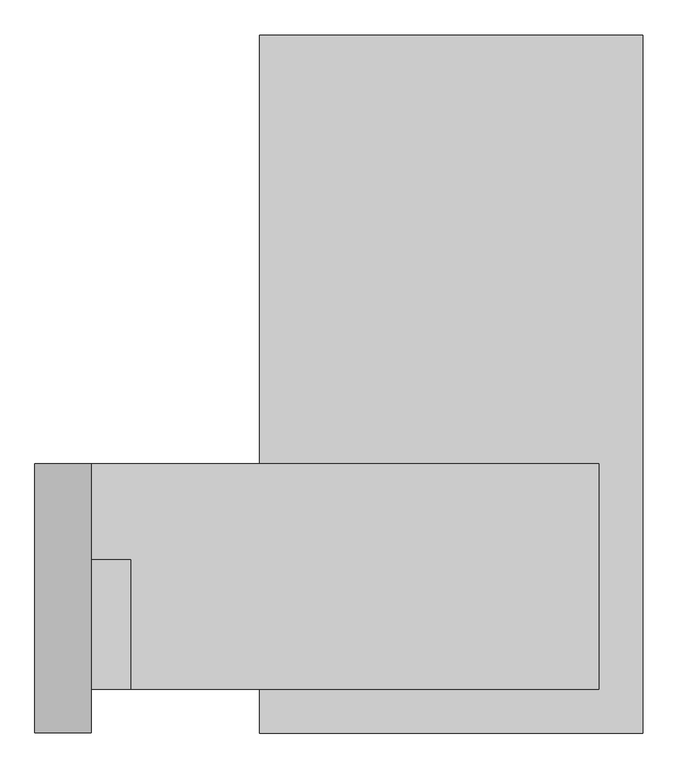
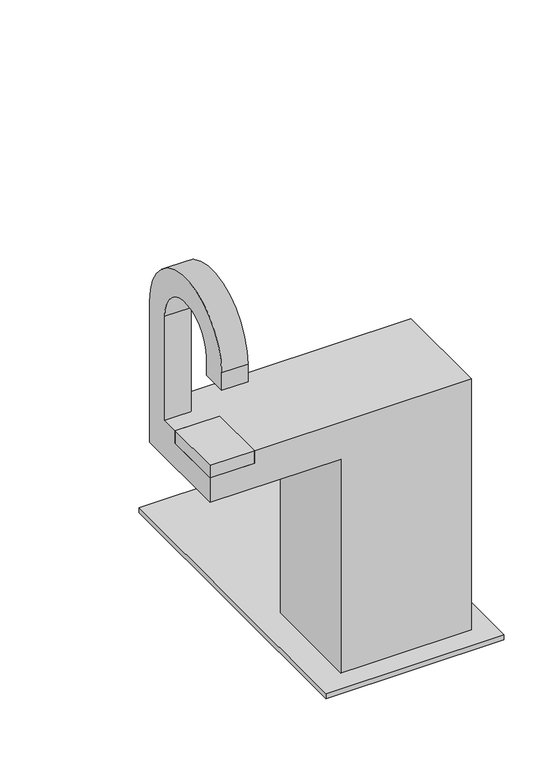
"""IFC4 building model written with IfcOpenShell, lengths in millimetres: proxy geometry."""

from ifc_helpers import new_model, si_unit, frame, origin, place, context, project, spatial, polyline, circle_curve, outline, extrude, source, transform, mapped, element, save
from ifc_brep_helpers import plane_surface, cylinder_surface, revolved_surface, advanced_brep


def generic_models_62c55396(model_context):
    return source(origin(), model_context, "Body", "SolidModel", [
        extrude(outline(polyline([(1078.7784149, -55077.3296666), (398.7784149, -55077.3296666), (398.7784149, -53840.0), (1078.7784149, -53840.0), (1078.7784149, -55077.3296666)])), frame((0.0, 0.0, 115.0067049), z_axis=(0.0, 0.0, 1.0), x_axis=(1.0, 0.0, 0.0)), (0.0, 0.0, 1.0), 20.0),
        extrude(outline(polyline([(170.0, -54770.0), (170.0, -55000.0), (0.0, -55000.0), (0.0, -54770.0), (170.0, -54770.0)])), frame((0.0, 0.0, 1098.786045), z_axis=(0.0, 0.0, 1.0), x_axis=(1.0, 0.0, 0.0)), (0.0, 0.0, 1.0), 51.213955),
        advanced_brep(
        [(1000.0, -55000.0, 135.0067049), (500.0, -55000.0, 135.0067049), (500.0, -54600.0, 135.0067049), (1000.0, -54600.0, 135.0067049), (500.0, -55000.0, 1000.0), (500.0, -54600.0, 1000.0), (0.0, -54700.0, 1150.0), (0.0, -54700.0, 1570.0), (0.0, -54977.3296666, 1570.0), (0.0, -54977.3296666, 1500.0), (0.0, -55077.3296666, 1500.0), (0.0, -55077.3296666, 1570.0), (0.0, -54600.0, 1570.0), (0.0, -54600.0, 1000.0), (0.0, -55000.0, 1000.0), (0.0, -55000.0, 1098.786045), (0.0, -54770.0, 1098.786045), (0.0, -54770.0, 1150.0), (100.0, -54600.0, 1570.0), (100.0, -55077.3296666, 1570.0), (100.0, -55077.3296666, 1500.0), (100.0, -54977.3296666, 1500.0), (100.0, -54977.3296666, 1570.0), (100.0, -54700.0, 1570.0), (100.0, -54700.0, 1150.0), (100.0, -54600.0, 1150.0), (1000.0, -54600.0, 1150.0), (1000.0, -55000.0, 1150.0), (170.0, -54770.0, 1150.0), (170.0, -55000.0, 1150.0), (170.0, -55000.0, 1098.786045), (170.0, -54770.0, 1098.786045)],
        [
            (0, 1),
            (1, 2),
            (2, 3),
            (3, 0),
            (1, 4),
            (4, 5),
            (5, 2),
            (6, 7),
            (7, 8, circle_curve(frame((0.0, -54838.6648333, 1570.0), z_axis=(1.0, 0.0, 0.0), x_axis=(0.0, 1.0, 0.0)), 138.6648333)),
            (8, 9),
            (9, 10),
            (10, 11),
            (11, 12, circle_curve(frame((0.0, -54838.6648333, 1570.0), z_axis=(-1.0, 0.0, 0.0), x_axis=(0.0, 1.0, 0.0)), 238.6648333)),
            (12, 13),
            (13, 14),
            (14, 15),
            (15, 16),
            (16, 17),
            (17, 6),
            (18, 19, circle_curve(frame((100.0, -54838.6648333, 1570.0), z_axis=(1.0, 0.0, 0.0), x_axis=(0.0, 1.0, 0.0)), 238.6648333)),
            (19, 20),
            (20, 21),
            (21, 22),
            (22, 23, circle_curve(frame((100.0, -54838.6648333, 1570.0), z_axis=(-1.0, 0.0, 0.0), x_axis=(0.0, 1.0, 0.0)), 138.6648333)),
            (23, 24),
            (24, 25),
            (25, 18),
            (25, 26),
            (26, 3),
            (5, 13),
            (12, 18),
            (6, 24),
            (23, 7),
            (22, 8),
            (21, 9),
            (20, 10),
            (19, 11),
            (27, 26),
            (17, 28),
            (28, 29),
            (29, 27),
            (4, 14),
            (0, 27),
            (29, 30),
            (30, 15),
            (30, 31),
            (31, 16),
            (31, 28),
        ],
        [
            plane_surface(frame((1000.0, -55000.0, 135.0067049), z_axis=(0.0, 0.0, -1.0), x_axis=(0.0, -1.0, 0.0))),
            plane_surface(frame((500.0, -54600.0, 1000.0), z_axis=(-1.0, 0.0, 0.0), x_axis=(0.0, 0.0, -1.0))),
            plane_surface(frame((0.0, -54600.0, 1150.0), z_axis=(-1.0, 0.0, 0.0), x_axis=(0.0, 0.0, -1.0))),
            plane_surface(frame((100.0, -54600.0, 1150.0), z_axis=(1.0, 0.0, 0.0), x_axis=(0.0, 0.0, 1.0))),
            plane_surface(frame((0.0, -54600.0, 1570.0), z_axis=(0.0, 1.0, 0.0), x_axis=(1.0, 0.0, 0.0))),
            plane_surface(frame((0.0, -54700.0, 1150.0), z_axis=(0.0, -1.0, 0.0), x_axis=(1.0, 0.0, 0.0))),
            revolved_surface(polyline([(100.0, -54700.0, 1570.0), (0.0, -54700.0, 1570.0)]), (100.0, -54838.6648333, 1570.0), (1.0, 0.0, 0.0)),
            plane_surface(frame((0.0, -54977.3296666, 1570.0), z_axis=(0.0, 1.0, 0.0), x_axis=(1.0, 0.0, 0.0))),
            plane_surface(frame((0.0, -54977.3296666, 1500.0), z_axis=(0.0, 0.0, -1.0), x_axis=(1.0, 0.0, 0.0))),
            plane_surface(frame((0.0, -55077.3296666, 1500.0), z_axis=(0.0, -1.0, 0.0), x_axis=(1.0, 0.0, 0.0))),
            cylinder_surface(frame((100.0, -54838.6648333, 1570.0), z_axis=(-1.0, 0.0, 0.0), x_axis=(0.0, 1.0, 0.0)), 238.6648333),
            plane_surface(frame((0.0, -54600.0, 1150.0), z_axis=(0.0, 0.0, 1.0), x_axis=(-1.0, 0.0, 0.0))),
            plane_surface(frame((0.0, -54600.0, 1000.0), z_axis=(0.0, 0.0, -1.0), x_axis=(1.0, 0.0, 0.0))),
            plane_surface(frame((0.0, -55000.0, 1150.0), z_axis=(0.0, -1.0, 0.0), x_axis=(0.0, 0.0, -1.0))),
            plane_surface(frame((1000.0, -55000.0, 1150.0), z_axis=(1.0, 0.0, 0.0), x_axis=(0.0, 0.0, -1.0))),
            plane_surface(frame((0.0, -55000.0, 1098.786045), z_axis=(0.0, 0.0, 1.0), x_axis=(-1.0, 0.0, 0.0))),
            plane_surface(frame((0.0, -54770.0, 1098.786045), z_axis=(0.0, -1.0, 0.0), x_axis=(0.0, 0.0, 1.0))),
            plane_surface(frame((170.0, -54770.0, 1098.786045), z_axis=(-1.0, 0.0, 0.0), x_axis=(0.0, 0.0, 1.0))),
        ],
        [
            (0, [[1, 2, 3, 4]]),
            (1, [[-2, 5, 6, 7]]),
            (2, [[8, 9, 10, 11, 12, 13, 14, 15, 16, 17, 18, 19]]),
            (3, [[20, 21, 22, 23, 24, 25, 26, 27]]),
            (4, [[-27, 28, 29, -3, -7, 30, -14, 31]]),
            (5, [[-8, 32, -25, 33]]),
            (6, [[-9, -33, -24, 34]]),
            (7, [[-10, -34, -23, 35]]),
            (8, [[-11, -35, -22, 36]]),
            (9, [[-12, -36, -21, 37]]),
            (10, [[-13, -37, -20, -31]]),
            (11, [[38, -28, -26, -32, -19, 39, 40, 41]]),
            (12, [[-15, -30, -6, 42]]),
            (13, [[-1, 43, -41, 44, 45, -16, -42, -5]]),
            (14, [[-38, -43, -4, -29]]),
            (15, [[46, 47, -17, -45]]),
            (16, [[-47, 48, -39, -18]]),
            (17, [[-46, -44, -40, -48]]),
        ],
    ),
    ])


if __name__ == "__main__":
    model = new_model("IFC4")
    model_context = context("Model", 3, world=origin())
    ifc_project = project(units=[si_unit("LENGTHUNIT", "METRE", prefix="MILLI")], contexts=[model_context])
    site = spatial("IfcSite", under=ifc_project)
    building = spatial("IfcBuilding", under=site)
    placement = place(None, origin())
    generic_models_shape = generic_models_62c55396(model_context)
    element("IfcBuildingElementProxy", 1, Name="Generic Models", at=placement, inside=building, context=model_context, shape_type="MappedRepresentation", body=[
        mapped(generic_models_shape, transform((0.0, 0.0, 0.0), x_axis=(1.0, 0.0, 0.0), y_axis=(0.0, 1.0, 0.0), z_axis=(0.0, 0.0, 1.0))),
    ])
    save(model, "model.ifc")
